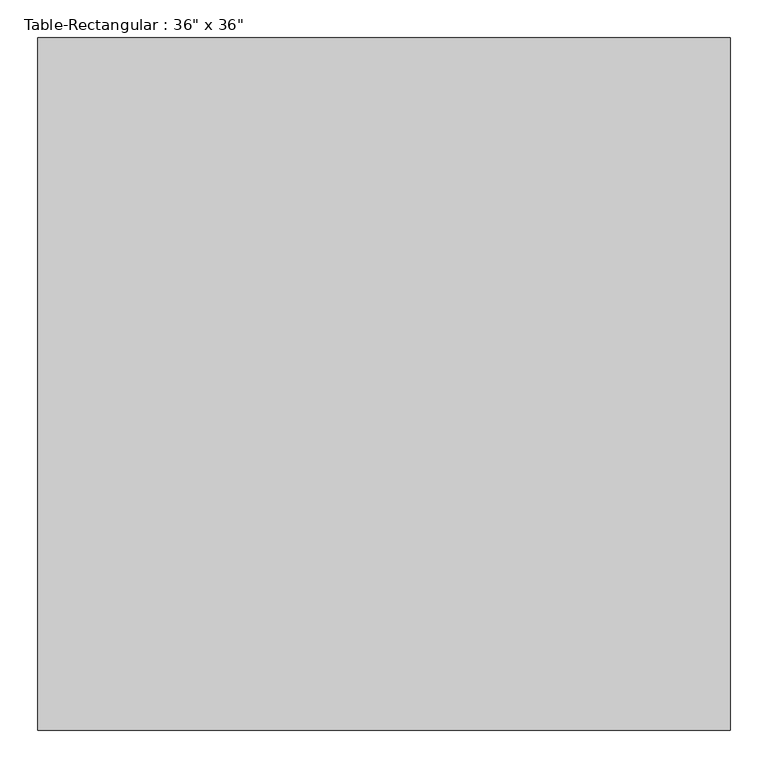
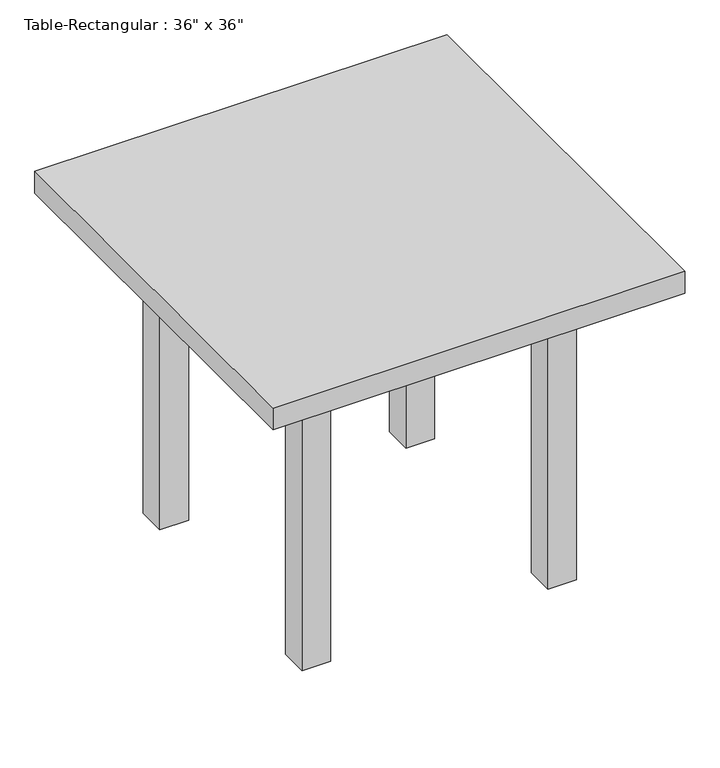
"""IFC4 building model written with IfcOpenShell, lengths in millimetres: furniture geometry."""

from ifc_helpers import new_model, si_unit, frame, origin, origin_with_axes, place, context, project, spatial, polyline, outline, extrude, source, transform, mapped, element, save


def furniture_4d44e21c(model_context):
    return source(origin(), model_context, "Body", "SweptSolid", [
        extrude(outline(polyline([(241.3, 266.7), (241.3, 241.3), (-241.3, 241.3), (-241.3, 266.7), (241.3, 266.7)])), frame((0.0, 0.0, 609.6), z_axis=(0.0, 0.0, 1.0), x_axis=(1.0, 0.0, 0.0)), (0.0, 0.0, 1.0), 101.6),
        extrude(outline(polyline([(241.3, -266.7), (-241.3, -266.7), (-241.3, -241.3), (241.3, -241.3), (241.3, -266.7)])), frame((0.0, 0.0, 609.6), z_axis=(0.0, 0.0, 1.0), x_axis=(1.0, 0.0, 0.0)), (0.0, 0.0, 1.0), 101.6),
        extrude(outline(polyline([(-254.0, -241.3), (-279.4, -241.3), (-279.4, 241.3), (-254.0, 241.3), (-254.0, -241.3)])), frame((0.0, 0.0, 609.6), z_axis=(0.0, 0.0, 1.0), x_axis=(1.0, 0.0, 0.0)), (0.0, 0.0, 1.0), 101.6),
        extrude(outline(polyline([(254.0, -241.3), (254.0, 241.3), (279.4, 241.3), (279.4, -241.3), (254.0, -241.3)])), frame((0.0, 0.0, 609.6), z_axis=(0.0, 0.0, 1.0), x_axis=(1.0, 0.0, 0.0)), (0.0, 0.0, 1.0), 101.6),
        extrude(outline(polyline([(457.2, 457.2), (457.2, -457.2), (-457.2, -457.2), (-457.2, 457.2), (457.2, 457.2)])), frame((0.0, 0.0, 711.2), z_axis=(0.0, 0.0, 1.0), x_axis=(1.0, 0.0, 0.0)), (0.0, 0.0, 1.0), 50.8),
        extrude(outline(polyline([(-241.3, 304.8), (-241.3, 241.3), (-304.8, 241.3), (-304.8, 304.8), (-241.3, 304.8)])), origin_with_axes(), (0.0, 0.0, 1.0), 711.2),
        extrude(outline(polyline([(241.3, 304.8), (304.8, 304.8), (304.8, 241.3), (241.3, 241.3), (241.3, 304.8)])), origin_with_axes(), (0.0, 0.0, 1.0), 711.2),
        extrude(outline(polyline([(-241.3, -304.8), (-304.8, -304.8), (-304.8, -241.3), (-241.3, -241.3), (-241.3, -304.8)])), origin_with_axes(), (0.0, 0.0, 1.0), 711.2),
        extrude(outline(polyline([(241.3, -304.8), (241.3, -241.3), (304.8, -241.3), (304.8, -304.8), (241.3, -304.8)])), origin_with_axes(), (0.0, 0.0, 1.0), 711.2),
    ])


if __name__ == "__main__":
    model = new_model("IFC4")
    model_context = context("Model", 3, world=origin())
    ifc_project = project(units=[si_unit("LENGTHUNIT", "METRE", prefix="MILLI")], contexts=[model_context])
    site = spatial("IfcSite", under=ifc_project)
    building = spatial("IfcBuilding", under=site)
    placement = place(None, origin())
    furniture_shape = furniture_4d44e21c(model_context)
    element("IfcFurniture", 1, ObjectType="Table-Rectangular : 36\" x 36\"", at=placement, inside=building, context=model_context, shape_type="MappedRepresentation", body=[
        mapped(furniture_shape, transform((0.0, 0.0, 0.0), x_axis=(1.0, 0.0, 0.0), y_axis=(0.0, 1.0, 0.0), z_axis=(0.0, 0.0, 1.0))),
    ])
    save(model, "model.ifc")
